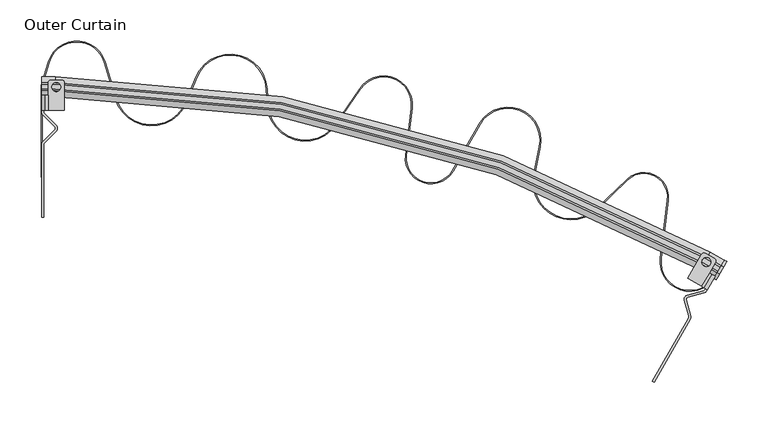
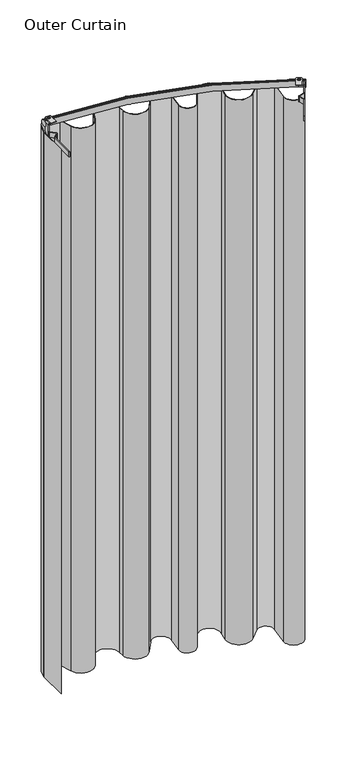
"""IFC4 building model written with IfcOpenShell, lengths in millimetres: furniture geometry, Outer Curtain."""

import ifcopenshell
import ifcopenshell.guid

model = None  # the IFC model being written
_history = None  # IfcOwnerHistory: only IFC2X3 demands one
_inside = {}  # id of a spatial element -> (the spatial element, [elements in it])
_under = {}  # id of a project, library or spatial element -> (it, [spatial elements below it])
_declared = {}  # id of a project -> (the project, [libraries it declares])
_typed = {}  # id of a type object -> (the type object, [elements of that type])
_made_of = {}  # id of a material, layer set ... -> (it, [elements and type objects made of it])


def new_model(schema):
    """Start an empty IFC model of exactly this schema.

    Asked for "IFC4X3", IfcOpenShell would pick the latest addendum, in which some entities
    have other attributes; the version numbers below select the first issue.
    IFC2X3 requires an IfcOwnerHistory on every rooted entity: one is made here for all.
    """
    global model, _history
    if schema == "IFC4X3":
        model = ifcopenshell.file(schema_version=(4, 3, 0, 0))
    else:
        model = ifcopenshell.file(schema=schema)
    _inside.clear()
    _under.clear()
    _declared.clear()
    _typed.clear()
    _made_of.clear()
    _history = None
    if model.schema == "IFC2X3":
        org = make("IfcOrganization", Name="unknown")
        user = make(
            "IfcPersonAndOrganization",
            ThePerson=make("IfcPerson", FamilyName="unknown"),
            TheOrganization=org,
        )
        app = make(
            "IfcApplication",
            ApplicationDeveloper=org,
            Version="unknown",
            ApplicationFullName="unknown",
            ApplicationIdentifier="unknown",
        )
        _history = make(
            "IfcOwnerHistory",
            OwningUser=user,
            OwningApplication=app,
            ChangeAction="ADDED",
            CreationDate=0,
        )
    return model


def make(cls, **values):
    """One entity of the class cls with the attributes given. An attribute that is None is left unset."""
    return model.create_entity(
        cls, **{name: value for name, value in values.items() if value is not None}
    )


def rooted(cls, **values):
    """An entity with a GlobalId (a new one), such as an element, a storey or a relation."""
    return make(cls, GlobalId=ifcopenshell.guid.new(), OwnerHistory=_history, **values)


def si_unit(unit_type, name, prefix=None):
    """IfcSIUnit, for example si_unit("LENGTHUNIT", "METRE", prefix="MILLI")."""
    return make("IfcSIUnit", UnitType=unit_type, Prefix=prefix, Name=name)


def assignment(units):
    """IfcUnitAssignment: the units of a project."""
    return None if units is None else make("IfcUnitAssignment", Units=units)


def point(xyz):
    """IfcCartesianPoint."""
    return None if xyz is None else make("IfcCartesianPoint", Coordinates=xyz)


def direction(xyz):
    """IfcDirection."""
    return None if xyz is None else make("IfcDirection", DirectionRatios=xyz)


def frame(location, z_axis=None, x_axis=None):
    """IfcAxis2Placement3D, a coordinate frame: its origin and axes. An axis left out is left unset."""
    return make(
        "IfcAxis2Placement3D",
        Location=point(location),
        Axis=direction(z_axis),
        RefDirection=direction(x_axis),
    )


def frame_2d(location, x_axis=None):
    """IfcAxis2Placement2D, a coordinate frame in the plane: its origin and x axis."""
    return make(
        "IfcAxis2Placement2D", Location=point(location), RefDirection=direction(x_axis)
    )


def origin():
    """The frame at (0, 0, 0) with its axes left unset."""
    return frame((0.0, 0.0, 0.0))


def origin_with_axes():
    """The frame at (0, 0, 0) with the z axis (0, 0, 1) and the x axis (1, 0, 0) written out."""
    return frame((0.0, 0.0, 0.0), z_axis=(0.0, 0.0, 1.0), x_axis=(1.0, 0.0, 0.0))


def place(relative_to, where):
    """IfcLocalPlacement: puts the frame where relative to a parent placement (None: the world)."""
    return make(
        "IfcLocalPlacement", PlacementRelTo=relative_to, RelativePlacement=where
    )


def context(
    kind, dimensions, precision=None, world=None, true_north=None, identifier=None
):
    """IfcGeometricRepresentationContext, for example the 3D "Model" context."""
    return make(
        "IfcGeometricRepresentationContext",
        ContextIdentifier=identifier,
        ContextType=kind,
        CoordinateSpaceDimension=dimensions,
        Precision=precision,
        WorldCoordinateSystem=world,
        TrueNorth=true_north,
    )


def project(units=None, contexts=None):
    """IfcProject with its units and contexts."""
    return rooted(
        "IfcProject",
        Name="project",
        RepresentationContexts=contexts,
        UnitsInContext=assignment(units),
    )


def spatial(cls, under=None, at=None, **own):
    """A site, building, storey or space (cls), placed at a placement, below another one or the project."""
    s = rooted(cls, ObjectPlacement=at, **own)
    if under is not None:
        _under.setdefault(under.id(), (under, []))[1].append(s)
    return s


def polyline(points):
    """IfcPolyline through the points."""
    return make("IfcPolyline", Points=[point(p) for p in points])


def circle_curve(where, radius):
    """IfcCircle in the frame where."""
    return make("IfcCircle", Position=where, Radius=radius)


def ellipse_curve(where, semi_axis1, semi_axis2):
    """IfcEllipse in the frame where."""
    return make(
        "IfcEllipse", Position=where, SemiAxis1=semi_axis1, SemiAxis2=semi_axis2
    )


def trimmed(basis, trim1, trim2, sense, master):
    """IfcTrimmedCurve: the piece of a basis curve between two trims."""
    return make(
        "IfcTrimmedCurve",
        BasisCurve=basis,
        Trim1=trim1,
        Trim2=trim2,
        SenseAgreement=sense,
        MasterRepresentation=master,
    )


def segment(curve, same_sense, transition):
    """IfcCompositeCurveSegment."""
    return make(
        "IfcCompositeCurveSegment",
        Transition=transition,
        SameSense=same_sense,
        ParentCurve=curve,
    )


def composite_curve(segments, self_intersect=None):
    """IfcCompositeCurve: segments joined end to end."""
    return make("IfcCompositeCurve", Segments=segments, SelfIntersect=self_intersect)


def outline(outer, holes=None, kind="AREA"):
    """IfcArbitraryClosedProfileDef: a profile drawn as a closed curve; with holes, ...WithVoids."""
    if holes is None:
        return make("IfcArbitraryClosedProfileDef", ProfileType=kind, OuterCurve=outer)
    return make(
        "IfcArbitraryProfileDefWithVoids",
        ProfileType=kind,
        OuterCurve=outer,
        InnerCurves=holes,
    )


def extrude(swept, where, along, depth):
    """IfcExtrudedAreaSolid: the profile swept, set in the frame where, extruded along a direction by depth."""
    return make(
        "IfcExtrudedAreaSolid",
        SweptArea=swept,
        Position=where,
        ExtrudedDirection=direction(along),
        Depth=depth,
    )


def shape(context_of_items, identifier, shape_type, items):
    """IfcShapeRepresentation: the items that make up one representation, for example the "Body"."""
    return make(
        "IfcShapeRepresentation",
        ContextOfItems=context_of_items,
        RepresentationIdentifier=identifier,
        RepresentationType=shape_type,
        Items=items,
    )


def source(mapping_origin, context_of_items, identifier, shape_type, items):
    """IfcRepresentationMap: a shape defined once, which mapped items show again and again."""
    return make(
        "IfcRepresentationMap",
        MappingOrigin=mapping_origin,
        MappedRepresentation=shape(context_of_items, identifier, shape_type, items),
    )


def transform(
    local_origin,
    x_axis=None,
    y_axis=None,
    z_axis=None,
    scale=None,
    scale2=None,
    scale3=None,
    uniform=True,
):
    """IfcCartesianTransformationOperator3D, or its non-uniform kind. x_axis, y_axis, z_axis: its Axis1, 2, 3."""
    if uniform:
        return make(
            "IfcCartesianTransformationOperator3D",
            Axis1=direction(x_axis),
            Axis2=direction(y_axis),
            LocalOrigin=point(local_origin),
            Scale=scale,
            Axis3=direction(z_axis),
        )
    return make(
        "IfcCartesianTransformationOperator3DnonUniform",
        Axis1=direction(x_axis),
        Axis2=direction(y_axis),
        LocalOrigin=point(local_origin),
        Scale=scale,
        Axis3=direction(z_axis),
        Scale2=scale2,
        Scale3=scale3,
    )


def mapped(mapping_source, mapping_target):
    """IfcMappedItem: shows the shape of a source again, moved by a transform."""
    return make(
        "IfcMappedItem", MappingSource=mapping_source, MappingTarget=mapping_target
    )


def made_of(thing, what):
    """Note that an element or type object is made of a material, layer set ...; save() writes the relation."""
    if what is not None:
        _made_of.setdefault(what.id(), (what, []))[1].append(thing)
    return thing


def element(
    cls,
    number,
    at=None,
    inside=None,
    cuts=None,
    type_object=None,
    material=None,
    context=None,
    identifier="Body",
    shape_type=None,
    held_by="IfcProductDefinitionShape",
    body=None,
    shapes=None,
    **own,
):
    """One element of the class cls, such as IfcWall. Its Tag is "e" and its number.

    at: its placement. inside: the storey or other place that contains it. cuts: it is an
    opening in that element (IfcRelVoidsElement). A single representation is given by context,
    identifier, shape_type and body (its items); several are given by shapes. held_by: the class
    of the entity that holds the representations. save() writes the other relations.
    """
    e = rooted(cls, Tag="e%d" % number, ObjectPlacement=at, **own)
    if body is not None:
        shapes = [shape(context, identifier, shape_type, body)]
    if shapes is not None:
        e.Representation = make(held_by, Representations=shapes)
    if inside is not None:
        _inside.setdefault(inside.id(), (inside, []))[1].append(e)
    if cuts is not None:
        rooted(
            "IfcRelVoidsElement", RelatingBuildingElement=cuts, RelatedOpeningElement=e
        )
    if type_object is not None:
        _typed.setdefault(type_object.id(), (type_object, []))[1].append(e)
    return made_of(e, material)


def aggregate(whole, parts):
    """IfcRelAggregates: a whole, such as a stair, and the parts it consists of."""
    return rooted("IfcRelAggregates", RelatingObject=whole, RelatedObjects=parts)


def save(model, path):
    """Write the relations noted so far, then the file.

    IfcRelAggregates (storeys below a building ...), IfcRelContainedInSpatialStructure (elements
    in a storey), IfcRelDefinesByType, IfcRelAssociatesMaterial and IfcRelDeclares: one each for
    every whole, place, type object, material and project.
    """
    for whole, parts in _under.values():
        aggregate(whole, parts)
    for where, things in _inside.values():
        rooted(
            "IfcRelContainedInSpatialStructure",
            RelatedElements=things,
            RelatingStructure=where,
        )
    for kind, things in _typed.values():
        rooted("IfcRelDefinesByType", RelatedObjects=things, RelatingType=kind)
    for what, things in _made_of.values():
        rooted("IfcRelAssociatesMaterial", RelatedObjects=things, RelatingMaterial=what)
    for by, libraries in _declared.values():
        rooted("IfcRelDeclares", RelatingContext=by, RelatedDefinitions=libraries)
    model.write(path)


def plane_surface(at):
    """IfcPlane: the flat surface through the origin of the frame at, square to its z axis."""
    return make("IfcPlane", Position=at)


def cylinder_surface(at, radius):
    """IfcCylindricalSurface: all points at the distance radius from the z axis of the frame at."""
    return make("IfcCylindricalSurface", Position=at, Radius=radius)


def revolved_surface(curve, axis_point, axis_direction):
    """IfcSurfaceOfRevolution: the curve turned about the line through axis_point along axis_direction."""
    return make(
        "IfcSurfaceOfRevolution",
        SweptCurve=make("IfcArbitraryOpenProfileDef", ProfileType="CURVE", Curve=curve),
        AxisPosition=make("IfcAxis1Placement", Location=point(axis_point), Axis=direction(axis_direction)),
    )


def advanced_brep(points, edges, surfaces, faces):
    """IfcAdvancedBrep: a solid bounded by faces that lie on surfaces and meet in shared edges.

    An edge is (start, end): straight between two places in points (the first is 0);
    or (start, end, curve); or (start, end, curve, False) where it runs against its curve.
    A face is (place in surfaces, loops), or (place, loops, False) where it looks against
    its surface's normal. A loop lists edges by number (the first is 1), with a minus sign
    where the edge is run from its end to its start. The first loop is the outer one.
    """
    corners = [point(p) for p in points]
    vertices = [make("IfcVertexPoint", VertexGeometry=c) for c in corners]
    made = []
    for start, end, *more in edges:
        made.append(
            make(
                "IfcEdgeCurve",
                EdgeStart=vertices[start],
                EdgeEnd=vertices[end],
                EdgeGeometry=more[0] if more else make("IfcPolyline", Points=[corners[start], corners[end]]),
                SameSense=more[1] if len(more) > 1 else True,
            )
        )
    hull = []
    for where, loops, *sense in faces:
        bounds = []
        for j, loop in enumerate(loops):
            ring = [make("IfcOrientedEdge", EdgeElement=made[abs(k) - 1], Orientation=k > 0) for k in loop]
            bounds.append(
                make(
                    "IfcFaceOuterBound" if j == 0 else "IfcFaceBound",
                    Bound=make("IfcEdgeLoop", EdgeList=ring),
                    Orientation=True,
                )
            )
        hull.append(make("IfcAdvancedFace", Bounds=bounds, FaceSurface=surfaces[where], SameSense=sense[0] if sense else True))
    return make("IfcAdvancedBrep", Outer=make("IfcClosedShell", CfsFaces=hull))


def outer_curtain_919a1fea(model_context):
    return source(origin(), model_context, "Body", "SolidModel", [
        extrude(outline(composite_curve([segment(trimmed(circle_curve(frame_2d((42.5957984, 467.0599801)), 35.0), [point((76.1040809, 477.1691346))], [point((9.0875159, 477.1691346))], True, "CARTESIAN"), True, "CONTINUOUS"), segment(polyline([(9.0875159, 477.1691346), (1.3097895, 451.3887139)]), True, "CONTINUOUS"), segment(trimmed(circle_curve(frame_2d((19.5, 445.9008872)), 19.0), [point((1.3097895, 451.3887139))], [point((0.5, 445.9008872))], True, "CARTESIAN"), True, "CONTINUOUS"), segment(polyline([(0.5, 445.9008872), (0.5, 337.8741988), (-0.5, 337.8741988), (-0.5, 445.9008872)]), True, "CONTINUOUS"), segment(trimmed(circle_curve(frame_2d((19.5, 445.9008872)), 20.0), [point((-0.5, 445.9008872))], [point((0.35241, 451.6775469))], False, "CARTESIAN"), True, "CONTINUOUS"), segment(polyline([(0.35241, 451.6775469), (8.1301364, 477.4579676)]), True, "CONTINUOUS"), segment(trimmed(circle_curve(frame_2d((42.5957984, 467.0599801)), 36.0), [point((8.1301364, 477.4579676))], [point((77.0614604, 477.4579676))], False, "CARTESIAN"), True, "CONTINUOUS"), segment(polyline([(77.0614604, 477.4579676), (90.4160555, 433.1921939)]), True, "CONTINUOUS"), segment(trimmed(circle_curve(frame_2d((133.498133, 446.1896783)), 45.0), [point((90.4160555, 433.1921939))], [point((175.2214064, 429.3323816))], True, "CARTESIAN"), True, "CONTINUOUS"), segment(polyline([(175.2214064, 429.3323816), (187.1951251, 458.9683753)]), True, "CONTINUOUS"), segment(trimmed(circle_curve(frame_2d((228.9183986, 442.1110786)), 45.0), [point((187.1951251, 458.9683753))], [point((273.8509021, 444.5748418))], False, "CARTESIAN"), True, "CONTINUOUS"), segment(polyline([(273.8509021, 444.5748418), (274.9175266, 425.1224404)]), True, "CONTINUOUS"), segment(trimmed(circle_curve(frame_2d((319.8500301, 427.5862037)), 45.0), [point((274.9175266, 425.1224404))], [point((357.1272127, 402.3788304))], True, "CARTESIAN"), True, "CONTINUOUS"), segment(polyline([(357.1272127, 402.3788304), (386.1550371, 445.3057749)]), True, "CONTINUOUS"), segment(trimmed(circle_curve(frame_2d((415.1484012, 425.7000401)), 35.0), [point((386.1550371, 445.3057749))], [point((449.882938, 421.3974875))], False, "CARTESIAN"), True, "CONTINUOUS"), segment(polyline([(449.882938, 421.3974875), (442.8274517, 364.4384983)]), True, "CONTINUOUS"), segment(trimmed(circle_curve(frame_2d((472.5999118, 360.7505961)), 30.0), [point((442.8274517, 364.4384983))], [point((498.5806739, 345.7505961))], True, "CARTESIAN"), True, "CONTINUOUS"), segment(polyline([(498.5806739, 345.7505961), (531.439005, 402.662895)]), True, "CONTINUOUS"), segment(trimmed(circle_curve(frame_2d((566.0800211, 382.662895)), 40.0), [point((531.439005, 402.662895))], [point((605.2774923, 374.6905522))], False, "CARTESIAN"), True, "CONTINUOUS"), segment(polyline([(605.2774923, 374.6905522), (598.4586195, 341.1643256)]), True, "CONTINUOUS"), segment(trimmed(circle_curve(frame_2d((642.5557746, 332.1954399)), 45.0), [point((598.4586195, 341.1643256))], [point((673.833081, 299.8422314))], True, "CARTESIAN"), True, "CONTINUOUS"), segment(polyline([(673.833081, 299.8422314), (710.1607908, 334.9618676)]), True, "CONTINUOUS"), segment(trimmed(circle_curve(frame_2d((731.0123285, 313.3930619)), 30.0), [point((710.1607908, 334.9618676))], [point((760.7847885, 309.7051597))], False, "CARTESIAN"), True, "CONTINUOUS"), segment(polyline([(760.7847885, 309.7051597), (752.0934658, 239.5400517)]), True, "CONTINUOUS"), segment(trimmed(circle_curve(frame_2d((786.8280026, 235.2374991)), 35.0), [point((752.0934658, 239.5400517))], [point((817.1388917, 217.7374991))], True, "CARTESIAN"), True, "CONTINUOUS"), segment(polyline([(817.1388917, 217.7374991), (819.7915966, 222.3321188), (820.657622, 221.8321188), (818.0049171, 217.2374991)]), True, "CONTINUOUS"), segment(trimmed(circle_curve(frame_2d((786.8280026, 235.2374991)), 36.0), [point((818.0049171, 217.2374991))], [point((751.1010505, 239.6629818))], False, "CARTESIAN"), True, "CONTINUOUS"), segment(polyline([(751.1010505, 239.6629818), (759.7923732, 309.8280898)]), True, "CONTINUOUS"), segment(trimmed(circle_curve(frame_2d((731.0123285, 313.3930619)), 29.0), [point((759.7923732, 309.8280898))], [point((710.8558421, 334.2429074))], True, "CARTESIAN"), True, "CONTINUOUS"), segment(polyline([(710.8558421, 334.2429074), (674.5281323, 299.1232712)]), True, "CONTINUOUS"), segment(trimmed(circle_curve(frame_2d((642.5557746, 332.1954399)), 46.0), [point((674.5281323, 299.1232712))], [point((597.4786827, 341.3636342))], False, "CARTESIAN"), True, "CONTINUOUS"), segment(polyline([(597.4786827, 341.3636342), (604.2975556, 374.8898607)]), True, "CONTINUOUS"), segment(trimmed(circle_curve(frame_2d((566.0800211, 382.662895)), 39.0), [point((604.2975556, 374.8898607))], [point((532.3050304, 402.162895))], True, "CARTESIAN"), True, "CONTINUOUS"), segment(polyline([(532.3050304, 402.162895), (499.4466993, 345.2505961)]), True, "CONTINUOUS"), segment(trimmed(circle_curve(frame_2d((472.5999118, 360.7505961)), 31.0), [point((499.4466993, 345.2505961))], [point((441.8350364, 364.5614284))], False, "CARTESIAN"), True, "CONTINUOUS"), segment(polyline([(441.8350364, 364.5614284), (448.8905226, 421.5204176)]), True, "CONTINUOUS"), segment(trimmed(circle_curve(frame_2d((415.1484012, 425.7000401)), 34.0), [point((448.8905226, 421.5204176))], [point((386.9834189, 444.745611))], True, "CARTESIAN"), True, "CONTINUOUS"), segment(polyline([(386.9834189, 444.745611), (357.9555945, 401.8186666)]), True, "CONTINUOUS"), segment(trimmed(circle_curve(frame_2d((319.8500301, 427.5862037)), 46.0), [point((357.9555945, 401.8186666))], [point((273.9190266, 425.0676902))], False, "CARTESIAN"), True, "CONTINUOUS"), segment(polyline([(273.9190266, 425.0676902), (272.852402, 444.5200915)]), True, "CONTINUOUS"), segment(trimmed(circle_curve(frame_2d((228.9183986, 442.1110786)), 44.0), [point((272.852402, 444.5200915))], [point((188.122309, 458.5937687))], True, "CARTESIAN"), True, "CONTINUOUS"), segment(polyline([(188.122309, 458.5937687), (176.1485903, 428.957775)]), True, "CONTINUOUS"), segment(trimmed(circle_curve(frame_2d((133.498133, 446.1896783)), 46.0), [point((176.1485903, 428.957775))], [point((89.458676, 432.9033609))], False, "CARTESIAN"), True, "CONTINUOUS"), segment(polyline([(89.458676, 432.9033609), (76.1040809, 477.1691346)]), True, "CONTINUOUS")], self_intersect=False)), origin_with_axes(), (0.0, 0.0, 1.0), 2097.5013525),
        extrude(outline(composite_curve([segment(polyline([(340.8986475, 0.0), (340.8986475, -5.5297915)]), True, "CONTINUOUS"), segment(trimmed(circle_curve(frame_2d((327.6985931, -5.5297915)), 13.2000544), [point((340.8986475, -5.5297915))], [point((327.6985931, -18.7298459))], False, "CARTESIAN"), True, "CONTINUOUS"), segment(polyline([(327.6985931, -18.7298459), (314.449003, -18.7298459)]), True, "CONTINUOUS"), segment(trimmed(circle_curve(frame_2d((306.6253516, -28.3883996)), 12.4296895), [point((314.449003, -18.7298459))], [point((298.6840186, -18.8263699))], True, "CARTESIAN"), True, "CONTINUOUS"), segment(polyline([(298.6840186, -18.8263699), (298.6840186, 0.0), (340.8986475, 0.0)]), True, "CONTINUOUS")], self_intersect=False)), frame((808.1824004, 201.2243016, 2438.4), z_axis=(-0.8660254041587455, 0.49999999935168166, 0.0), x_axis=(0.0, 0.0, -1.0)), (0.0, 0.0, 1.0), 2.45),
        extrude(outline(composite_curve([segment(trimmed(circle_curve(frame_2d((780.5221736, 168.2153832)), 5.0), [point((784.8523006, 165.7153832))], [point((785.3486237, 169.5212849))], True, "CARTESIAN"), True, "CONTINUOUS"), segment(polyline([(785.3486237, 169.5212849), (780.2499341, 188.3654079)]), True, "CONTINUOUS"), segment(trimmed(circle_curve(frame_2d((785.0763843, 189.6713096)), 5.0), [point((780.2499341, 188.3654079))], [point((783.7705027, 194.4977651))], False, "CARTESIAN"), True, "CONTINUOUS"), segment(polyline([(783.7705027, 194.4977651), (803.7503841, 199.9036698)]), True, "CONTINUOUS"), segment(trimmed(circle_curve(frame_2d((803.0974433, 202.3168976)), 2.5), [point((803.7503841, 199.9036698))], [point((805.2625069, 201.0668976))], True, "CARTESIAN"), True, "CONTINUOUS"), segment(polyline([(805.2625069, 201.0668976), (806.0606382, 202.4493016), (808.1824004, 201.2243016), (807.3945887, 199.8597717)]), True, "CONTINUOUS"), segment(trimmed(circle_curve(frame_2d((803.0644617, 202.3597717)), 5.0), [point((807.3945887, 199.8597717))], [point((804.3703432, 197.5333161))], False, "CARTESIAN"), True, "CONTINUOUS"), segment(polyline([(804.3703432, 197.5333161), (784.3621199, 192.119743)]), True, "CONTINUOUS"), segment(trimmed(circle_curve(frame_2d((785.0150607, 189.7065152)), 2.5), [point((784.3621199, 192.119743))], [point((782.6018356, 189.0535644))], True, "CARTESIAN"), True, "CONTINUOUS"), segment(polyline([(782.6018356, 189.0535644), (787.9795532, 169.1781885)]), True, "CONTINUOUS"), segment(trimmed(circle_curve(frame_2d((783.1531031, 167.8722868)), 5.0), [point((787.9795532, 169.1781885))], [point((787.4832301, 165.3722868))], False, "CARTESIAN"), True, "CONTINUOUS"), segment(polyline([(787.4832301, 165.3722868), (743.4550059, 89.1131655), (741.3332437, 90.3381655), (784.8523006, 165.7153832)]), True, "CONTINUOUS")], self_intersect=False)), frame((0.0, 0.0, 2097.5013525), z_axis=(0.0, 0.0, 1.0), x_axis=(1.0, 0.0, 0.0)), (0.0, 0.0, 1.0), 18.8933106),
        extrude(outline(composite_curve([segment(polyline([(2.45, 0.0), (2.45, -1.5759522)]), True, "CONTINUOUS"), segment(trimmed(circle_curve(frame_2d((-2.2594196, -1.5759522)), 4.7094196), [point((2.45, -1.5759522))], [point((-2.2594196, -6.2853718))], False, "CARTESIAN"), True, "CONTINUOUS"), segment(polyline([(-2.2594196, -6.2853718), (-5.3457178, -6.2853718), (-5.3457178, -3.8354214), (-2.7023301, -3.8354214)]), True, "CONTINUOUS"), segment(trimmed(circle_curve(frame_2d((-2.7023301, -1.1330913)), 2.7023301), [point((-2.7023301, -3.8354214))], [point((0.0, -1.1330913))], True, "CARTESIAN"), True, "CONTINUOUS"), segment(polyline([(0.0, -1.1330913), (0.0, 0.0), (2.45, 0.0)]), True, "CONTINUOUS")], self_intersect=False)), frame((806.0606382, 202.4493016, 2139.7159814), z_axis=(0.4999999993516811, 0.8660254041587457, 0.0), x_axis=(0.8660254041587457, -0.4999999993516811, 0.0)), (0.0, 0.0, 1.0), 18.7298458),
        extrude(outline(composite_curve([segment(polyline([(801.4311108, 205.1221605), (784.1106027, 215.1221605), (800.7342244, 243.915118)]), True, "CONTINUOUS"), segment(trimmed(circle_curve(frame_2d((803.9842234, 242.0387302)), 3.7527756), [point((800.7342244, 243.915118))], [point((805.8502397, 245.2946951))], False, "CARTESIAN"), True, "CONTINUOUS"), segment(polyline([(805.8502397, 245.2946951), (816.3907074, 239.2091533)]), True, "CONTINUOUS"), segment(trimmed(circle_curve(frame_2d((814.816152, 235.8057322)), 3.75), [point((816.3907074, 239.2091533))], [point((818.0637473, 233.9307322))], False, "CARTESIAN"), True, "CONTINUOUS"), segment(polyline([(818.0637473, 233.9307322), (801.4311108, 205.1221605)]), True, "CONTINUOUS")], self_intersect=False), holes=[composite_curve([segment(trimmed(circle_curve(frame_2d((807.0144732, 234.7928281)), 5.4886758), [point((811.7678059, 232.0484902))], [point((802.2611405, 237.537166))], True, "CARTESIAN"), True, "CONTINUOUS"), segment(trimmed(circle_curve(frame_2d((807.0144732, 234.7928281)), 5.4886758), [point((802.2611405, 237.537166))], [point((811.7678059, 232.0484902))], True, "CARTESIAN"), True, "CONTINUOUS")], self_intersect=False)]), frame((0.0, 0.0, 2143.5514028), z_axis=(0.0, 0.0, 1.0), x_axis=(1.0, 0.0, 0.0)), (0.0, 0.0, 1.0), 2.4499504),
        extrude(outline(composite_curve([segment(polyline([(-11.4946904, -17.1593062), (-11.4946904, -7.0711683)]), True, "CONTINUOUS"), segment(trimmed(circle_curve(frame_2d((0.0, -11.800785)), 12.4296895), [point((-11.4946904, -7.0711683))], [point((11.4946904, -7.0711683))], False, "CARTESIAN"), True, "CONTINUOUS"), segment(polyline([(11.4946904, -7.0711683), (11.4946904, -17.1593062)]), True, "CONTINUOUS"), segment(trimmed(circle_curve(frame_2d((0.0, -12.4296895)), 12.4296895), [point((11.4946904, -17.1593062))], [point((-11.4946904, -17.1593062))], False, "CARTESIAN"), True, "CONTINUOUS")], self_intersect=False), holes=[polyline([(-7.0558489, -9.3770777), (-10.0558474, -9.3770777), (-10.0558474, -10.8172605), (-7.0558489, -10.8172605), (-7.0558489, -9.3770777)]), polyline([(-10.0558474, -14.3665806), (-7.0558489, -14.3665806), (-7.0558489, -12.7373059), (-10.0558474, -12.7373059), (-10.0558474, -14.3665806)])]), frame((819.3725494, 213.9509737, 2131.7746484), z_axis=(-0.8660254037850114, 0.4999999999990082, 0.0), x_axis=(0.0, 0.0, -1.0)), (0.0, 0.0, 1.0), 3.327667),
        advanced_brep(
        [(0.0, 442.4224847, 2120.279958), (0.0, 442.4224847, 2143.2693388), (0.0, 444.4967404, 2143.2693388), (0.0, 444.4967404, 2141.8304958), (0.0, 450.509432, 2141.8304958), (0.0, 450.509432, 2143.2693388), (0.0, 452.5106226, 2143.2693388), (0.0, 452.5106226, 2120.279958), (16.273869, 442.4224847, 2120.279958), (16.273869, 442.4224847, 2143.2693388), (802.8348362, 231.6641087, 2143.2693388), (820.0263326, 221.7385937, 2143.2693388), (821.0634604, 223.5349518, 2143.2693388), (803.871964, 233.4604668, 2143.2693388), (16.273869, 444.4967404, 2143.2693388), (16.273869, 444.4967404, 2141.8304958), (803.871964, 233.4604668, 2141.8304958), (821.0634604, 223.5349518, 2141.8304958), (824.0698063, 228.7420955, 2141.8304958), (806.8783099, 238.6676106, 2141.8304958), (16.273869, 450.509432, 2141.8304958), (16.273869, 450.509432, 2143.2693388), (806.8783099, 238.6676106, 2143.2693388), (824.0698063, 228.7420955, 2143.2693388), (825.0704015, 230.4751773, 2143.2693388), (807.8789051, 240.4006924, 2143.2693388), (16.273869, 452.5106226, 2143.2693388), (16.273869, 452.5106226, 2120.279958), (807.8789051, 240.4006924, 2120.279958), (825.0704015, 230.4751773, 2120.279958), (820.0263326, 221.7385937, 2120.279958), (802.8348362, 231.6641087, 2120.279958)],
        [
            (0, 1, circle_curve(frame((0.0, 447.9278494, 2131.7746484), z_axis=(-1.0, 0.0, 0.0), x_axis=(0.0, -1.0, 0.0)), 12.7450754)),
            (1, 2),
            (2, 3),
            (3, 4),
            (4, 5),
            (5, 6),
            (6, 7, circle_curve(frame((0.0, 447.1329645, 2131.7746484), z_axis=(-1.0, 0.0, 0.0), x_axis=(0.0, -1.0, 0.0)), 12.6904339)),
            (7, 0),
            (0, 8),
            (8, 9, circle_curve(frame((16.273869, 447.9278494, 2131.7746484), z_axis=(-1.0, 0.0, 0.0), x_axis=(0.0, -1.0, 0.0)), 12.7450754)),
            (9, 1),
            (9, 10, circle_curve(frame((16.273869, -1130.6994497, 2143.2693388), z_axis=(0.0, 0.0, -1.0), x_axis=(0.0, 1.0, 0.0)), 1573.1219344)),
            (10, 11),
            (11, 12),
            (12, 13),
            (13, 14, circle_curve(frame((16.273869, -1130.6994497, 2143.2693388), z_axis=(0.0, 0.0, 1.0), x_axis=(0.0, 1.0, 0.0)), 1575.1961901)),
            (14, 2),
            (14, 15),
            (15, 3),
            (15, 16, circle_curve(frame((16.273869, -1130.6994497, 2141.8304958), z_axis=(0.0, 0.0, -1.0), x_axis=(0.0, 1.0, 0.0)), 1575.1961901)),
            (16, 17),
            (17, 18),
            (18, 19),
            (19, 20, circle_curve(frame((16.273869, -1130.6994497, 2141.8304958), z_axis=(0.0, 0.0, 1.0), x_axis=(0.0, 1.0, 0.0)), 1581.2088818)),
            (20, 4),
            (20, 21),
            (21, 5),
            (21, 22, circle_curve(frame((16.273869, -1130.6994497, 2143.2693388), z_axis=(0.0, 0.0, -1.0), x_axis=(0.0, 1.0, 0.0)), 1581.2088818)),
            (22, 23),
            (23, 24),
            (24, 25),
            (25, 26, circle_curve(frame((16.273869, -1130.6994497, 2143.2693388), z_axis=(0.0, 0.0, 1.0), x_axis=(0.0, 1.0, 0.0)), 1583.2100723)),
            (26, 6),
            (26, 27, circle_curve(frame((16.273869, 447.1329645, 2131.7746484), z_axis=(-1.0, 0.0, 0.0), x_axis=(0.0, -1.0, 0.0)), 12.6904339)),
            (27, 7),
            (27, 28, circle_curve(frame((16.273869, -1130.6994497, 2120.279958), z_axis=(0.0, 0.0, -1.0), x_axis=(0.0, 1.0, 0.0)), 1583.2100723)),
            (28, 29),
            (29, 30),
            (30, 31),
            (31, 8, circle_curve(frame((16.273869, -1130.6994497, 2120.279958), z_axis=(0.0, 0.0, 1.0), x_axis=(0.0, 1.0, 0.0)), 1573.1219344)),
            (31, 10, circle_curve(frame((805.5875185, 236.4318944, 2131.7746484), z_axis=(-0.8660254037844397, 0.4999999999999981, 0.0), x_axis=(-0.4999999999999981, -0.8660254037844397, 0.0)), 12.7450754)),
            (13, 16),
            (19, 22),
            (25, 28, circle_curve(frame((805.1900761, 235.7435039, 2131.7746484), z_axis=(-0.8660254037844397, 0.4999999999999981, 0.0), x_axis=(-0.4999999999999981, -0.8660254037844397, 0.0)), 12.6904339)),
            (29, 24, circle_curve(frame((822.3815725, 225.8179888, 2131.7746484), z_axis=(0.8660254037844363, -0.5000000000000042, 0.0), x_axis=(-0.5000000000000042, -0.8660254037844363, 0.0)), 12.6904339)),
            (23, 18),
            (17, 12),
            (11, 30, circle_curve(frame((822.7790149, 226.5063793, 2131.7746484), z_axis=(0.8660254037844363, -0.5000000000000042, 0.0), x_axis=(-0.5000000000000042, -0.8660254037844363, 0.0)), 12.7450754)),
        ],
        [
            plane_surface(frame((0.0, 447.5030862, 0.0), z_axis=(-1.0, 0.0, 0.0), x_axis=(0.0, 0.0, 1.0))),
            cylinder_surface(frame((0.0, 447.9278494, 2131.7746484), z_axis=(-1.0, 0.0, 0.0), x_axis=(0.0, -1.0, 0.0)), 12.7450754),
            plane_surface(frame((0.0, 442.4224847, 2143.2693388), z_axis=(0.0, 0.0, 1.0), x_axis=(1.0, 0.0, 0.0))),
            plane_surface(frame((0.0, 444.4967404, 2143.2693388), z_axis=(0.0, 1.0, 0.0), x_axis=(1.0, 0.0, 0.0))),
            plane_surface(frame((0.0, 444.4967404, 2141.8304958), z_axis=(0.0, 0.0, 1.0), x_axis=(1.0, 0.0, 0.0))),
            plane_surface(frame((0.0, 450.509432, 2141.8304958), z_axis=(0.0, -1.0, 0.0), x_axis=(1.0, 0.0, 0.0))),
            plane_surface(frame((0.0, 450.509432, 2143.2693388), z_axis=(0.0, 0.0, 1.0), x_axis=(1.0, 0.0, 0.0))),
            cylinder_surface(frame((0.0, 447.1329645, 2131.7746484), z_axis=(-1.0, 0.0, 0.0), x_axis=(0.0, -1.0, 0.0)), 12.6904339),
            plane_surface(frame((0.0, 452.5106226, 2120.279958), z_axis=(0.0, 0.0, -1.0), x_axis=(1.0, 0.0, 0.0))),
            revolved_surface(trimmed(ellipse_curve(frame((16.273869, 447.9278494, 2131.7746484), z_axis=(-1.0, 0.0, 0.0), x_axis=(0.0, -1.0, 0.0)), 12.7450754, 12.7450754), [point((16.273869, 442.4224847, 2120.279958))], [point((16.273869, 442.4224847, 2143.2693388))], True, "CARTESIAN"), (16.273869, -1130.6994497, 0.0), (0.0, 0.0, -1.0)),
            cylinder_surface(frame((16.273869, -1130.6994497, 0.0), z_axis=(0.0, 0.0, -1.0), x_axis=(0.0, 1.0, 0.0)), 1575.1961901),
            revolved_surface(polyline([(16.273869, 450.5094320999999, 2141.8304958), (16.273869, 450.5094320999999, 2143.2693388)]), (16.273869, -1130.6994497, 0.0), (0.0, 0.0, -1.0)),
            revolved_surface(trimmed(ellipse_curve(frame((16.273869, 447.1329645, 2131.7746484), z_axis=(-1.0, 0.0, 0.0), x_axis=(0.0, -1.0, 0.0)), 12.6904339, 12.6904339), [point((16.273869, 452.5106226, 2143.2693388))], [point((16.273869, 452.5106226, 2120.279958))], True, "CARTESIAN"), (16.273869, -1130.6994497, 0.0), (0.0, 0.0, -1.0)),
            plane_surface(frame((822.5666333, 226.1385236, 0.0), z_axis=(0.8660254037844365, -0.5000000000000038, 0.0), x_axis=(0.0, 0.0, 1.0))),
            cylinder_surface(frame((805.5875185, 236.4318944, 2131.7746484), z_axis=(-0.8660254037844363, 0.5000000000000042, 0.0), x_axis=(-0.5000000000000042, -0.8660254037844363, 0.0)), 12.7450754),
            plane_surface(frame((803.871964, 233.4604668, 2143.2693388), z_axis=(0.5000000000000122, 0.8660254037844317, 0.0), x_axis=(0.8660254037844317, -0.5000000000000122, 0.0))),
            plane_surface(frame((806.8783099, 238.6676106, 2141.8304958), z_axis=(-0.49999999999999906, -0.8660254037844393, 0.0), x_axis=(0.8660254037844393, -0.49999999999999906, 0.0))),
            cylinder_surface(frame((805.1900761, 235.7435039, 2131.7746484), z_axis=(-0.8660254037844363, 0.5000000000000042, 0.0), x_axis=(-0.5000000000000042, -0.8660254037844363, 0.0)), 12.6904339),
        ],
        [
            (0, [[1, 2, 3, 4, 5, 6, 7, 8]]),
            (1, [[-1, 9, 10, 11]]),
            (2, [[-2, -11, 12, 13, 14, 15, 16, 17]]),
            (3, [[-3, -17, 18, 19]]),
            (4, [[-4, -19, 20, 21, 22, 23, 24, 25]]),
            (5, [[-5, -25, 26, 27]]),
            (6, [[-6, -27, 28, 29, 30, 31, 32, 33]]),
            (7, [[-7, -33, 34, 35]]),
            (8, [[-8, -35, 36, 37, 38, 39, 40, -9]]),
            (9, [[-12, -10, -40, 41]]),
            (10, [[-20, -18, -16, 42]]),
            (11, [[-28, -26, -24, 43]]),
            (12, [[-36, -34, -32, 44]]),
            (13, [[-38, 45, -30, 46, -22, 47, -14, 48]]),
            (14, [[-41, -39, -48, -13]]),
            (15, [[-42, -15, -47, -21]]),
            (16, [[-43, -23, -46, -29]]),
            (17, [[-44, -31, -45, -37]]),
        ],
    ),
        extrude(outline(composite_curve([segment(polyline([(418.7637019, 2097.5013525), (418.7637019, 2139.7159814), (437.5900717, 2139.7159814)]), True, "CONTINUOUS"), segment(trimmed(circle_curve(frame_2d((447.1521014, 2131.7746484)), 12.4296895), [point((437.5900717, 2139.7159814))], [point((437.4935477, 2123.950997))], True, "CARTESIAN"), True, "CONTINUOUS"), segment(polyline([(437.4935477, 2123.950997), (437.4935477, 2110.7014069)]), True, "CONTINUOUS"), segment(trimmed(circle_curve(frame_2d((424.2934933, 2110.7014069)), 13.2000544), [point((437.4935477, 2110.7014069))], [point((424.2934933, 2097.5013525))], False, "CARTESIAN"), True, "CONTINUOUS"), segment(polyline([(424.2934933, 2097.5013525), (418.7637019, 2097.5013525)]), True, "CONTINUOUS")], self_intersect=False)), frame((0.0, 0.0, 0.0), z_axis=(1.0, 0.0, 0.0), x_axis=(0.0, 1.0, 0.0)), (0.0, 0.0, 1.0), 2.45),
        extrude(outline(composite_curve([segment(polyline([(2.45, 376.3470266), (2.45, 289.3089127), (0.0, 289.3089127), (0.0, 377.3653611)]), True, "CONTINUOUS"), segment(trimmed(circle_curve(frame_2d((5.0, 377.3653611)), 5.0), [point((0.0, 377.3653611))], [point((1.4731224, 380.9095302))], False, "CARTESIAN"), True, "CONTINUOUS"), segment(polyline([(1.4731224, 380.9095302), (16.0680504, 395.4332519)]), True, "CONTINUOUS"), segment(trimmed(circle_curve(frame_2d((14.3046116, 397.2053364)), 2.5), [point((16.0680504, 395.4332519))], [point((16.0766888, 398.9687826))], True, "CARTESIAN"), True, "CONTINUOUS"), segment(polyline([(16.0766888, 398.9687826), (1.4558456, 413.661186)]), True, "CONTINUOUS"), segment(trimmed(circle_curve(frame_2d((5.0, 417.1880784)), 5.0), [point((1.4558456, 413.661186))], [point((0.0, 417.1880784))], False, "CARTESIAN"), True, "CONTINUOUS"), segment(polyline([(0.0, 417.1880784), (0.0, 418.7637019), (2.45, 418.7637019), (2.45, 417.1674392)]), True, "CONTINUOUS"), segment(trimmed(circle_curve(frame_2d((4.95, 417.1674392)), 2.5), [point((2.45, 417.1674392))], [point((3.1779228, 415.403993))], True, "CARTESIAN"), True, "CONTINUOUS"), segment(polyline([(3.1779228, 415.403993), (17.7780554, 400.7324015)]), True, "CONTINUOUS"), segment(trimmed(circle_curve(frame_2d((14.233901, 397.2055092)), 5.0), [point((17.7780554, 400.7324015))], [point((17.7607786, 393.6613401))], False, "CARTESIAN"), True, "CONTINUOUS"), segment(polyline([(17.7607786, 393.6613401), (3.9231224, 379.8911956)]), True, "CONTINUOUS"), segment(trimmed(circle_curve(frame_2d((7.45, 376.3470266)), 5.0), [point((3.9231224, 379.8911956))], [point((2.45, 376.3470266))], True, "CARTESIAN"), True, "CONTINUOUS")], self_intersect=False)), frame((0.0, 0.0, 2097.5013525), z_axis=(0.0, 0.0, 1.0), x_axis=(1.0, 0.0, 0.0)), (0.0, 0.0, 1.0), 18.8933106),
        extrude(outline(composite_curve([segment(polyline([(2139.7159814, 0.0), (2139.7159814, 2.45), (2140.8490727, 2.45)]), True, "CONTINUOUS"), segment(trimmed(circle_curve(frame_2d((2140.8490727, 5.1523301)), 2.7023301), [point((2140.8490727, 2.45))], [point((2143.5514028, 5.1523301))], True, "CARTESIAN"), True, "CONTINUOUS"), segment(polyline([(2143.5514028, 5.1523301), (2143.5514028, 7.7957178), (2146.0013532, 7.7957178), (2146.0013532, 4.7094196)]), True, "CONTINUOUS"), segment(trimmed(circle_curve(frame_2d((2141.2919336, 4.7094196)), 4.7094196), [point((2146.0013532, 4.7094196))], [point((2141.2919336, 0.0))], False, "CARTESIAN"), True, "CONTINUOUS"), segment(polyline([(2141.2919336, 0.0), (2139.7159814, 0.0)]), True, "CONTINUOUS")], self_intersect=False)), frame((0.0, 418.7637019, 0.0), z_axis=(0.0, 1.0, 0.0), x_axis=(0.0, 0.0, 1.0)), (0.0, 0.0, 1.0), 18.7298458),
        extrude(outline(composite_curve([segment(polyline([(7.7957178, 418.7637019), (7.7957178, 452.0289751)]), True, "CONTINUOUS"), segment(trimmed(circle_curve(frame_2d((11.5457178, 452.0289751)), 3.75), [point((7.7957178, 452.0289751))], [point((11.8838235, 455.7637019))], False, "CARTESIAN"), True, "CONTINUOUS"), segment(polyline([(11.8838235, 455.7637019), (24.0549072, 455.7637019)]), True, "CONTINUOUS"), segment(trimmed(circle_curve(frame_2d((24.0429423, 452.0109454)), 3.7527756), [point((24.0549072, 455.7637019))], [point((27.7957178, 452.0109454))], False, "CARTESIAN"), True, "CONTINUOUS"), segment(polyline([(27.7957178, 452.0109454), (27.7957178, 418.7637019), (7.7957178, 418.7637019)]), True, "CONTINUOUS")], self_intersect=False), holes=[composite_curve([segment(trimmed(circle_curve(frame_2d((17.7957178, 447.250935)), 5.4886758), [point((12.307042, 447.250935))], [point((23.2843937, 447.250935))], True, "CARTESIAN"), True, "CONTINUOUS"), segment(trimmed(circle_curve(frame_2d((17.7957178, 447.250935)), 5.4886758), [point((23.2843937, 447.250935))], [point((12.307042, 447.250935))], True, "CARTESIAN"), True, "CONTINUOUS")], self_intersect=False)]), frame((0.0, 0.0, 2143.5514028), z_axis=(0.0, 0.0, 1.0), x_axis=(1.0, 0.0, 0.0)), (0.0, 0.0, 1.0), 2.4499504),
    ])


if __name__ == "__main__":
    model = new_model("IFC4")
    model_context = context("Model", 3, world=origin())
    ifc_project = project(units=[si_unit("LENGTHUNIT", "METRE", prefix="MILLI")], contexts=[model_context])
    site = spatial("IfcSite", under=ifc_project)
    building = spatial("IfcBuilding", under=site)
    placement = place(None, origin())
    outer_curtain_shape = outer_curtain_919a1fea(model_context)
    element("IfcFurniture", 1, ObjectType="Outer Curtain", at=placement, inside=building, context=model_context, shape_type="MappedRepresentation", body=[
        mapped(outer_curtain_shape, transform((0.0, 0.0, 0.0), x_axis=(1.0, 0.0, 0.0), y_axis=(0.0, 1.0, 0.0), z_axis=(0.0, 0.0, 1.0))),
    ])
    save(model, "model.ifc")
